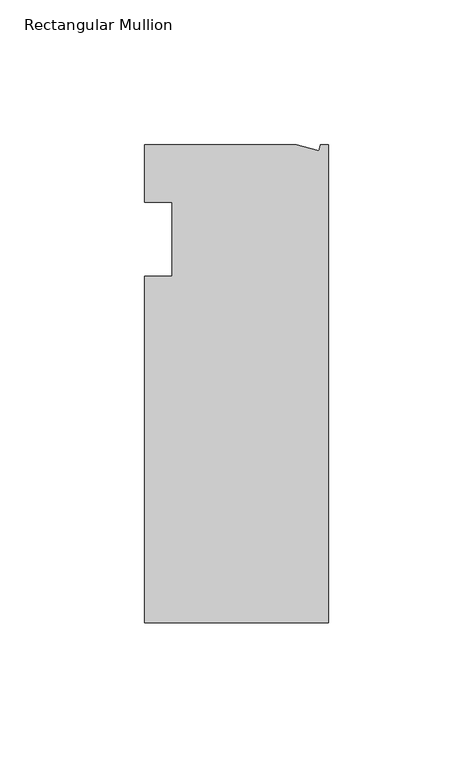
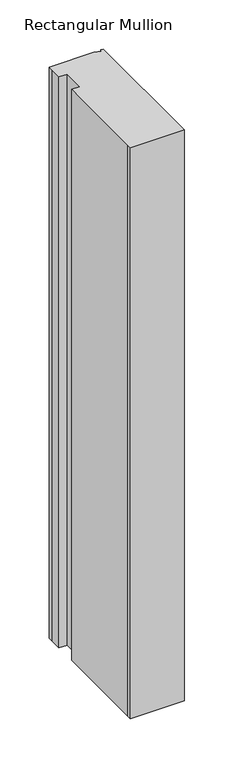
"""IFC4 building model written with IfcOpenShell, lengths in millimetres: member geometry, Rectangular Mullion."""

from ifc_helpers import new_model, si_unit, origin, place, context, project, spatial, faceted_brep, source, transform, mapped, element, save


def rectangular_mullion_dd988c1f(model_context):
    return source(origin(), model_context, "Body", "Brep", [
        faceted_brep([(0.0, -132.5561012, 0.0), (0.0, 32.5438988, 0.0), (-2.7630634, 32.5438988, 0.0), (-3.3223696, 30.4565397, 0.0), (-11.1125, 32.5438988, 0.0), (-63.5076469, 32.5438988, 0.0), (-63.5076469, 26.1938988, 0.0), (-63.5, 12.7, 0.0), (-53.975, 12.7, 0.0), (-53.975, -12.8488281, 0.0), (-63.5, -12.8488281, 0.0), (-63.5, -126.2061012, 0.0), (-63.5, -132.5561012, 0.0), (0.0, -132.5561012, -708.7886596), (-63.5, -132.5561012, -708.7886596), (-63.5, -126.2061012, -708.7886596), (-63.5, -12.8488281, -708.7886596), (-53.975, -12.8488281, -708.7886596), (-53.975, 12.7, -708.7886596), (-63.5, 12.7, -708.7886596), (-63.5, 26.1938988, -708.7886596), (-63.5076469, 32.5438988, -708.7886596), (-11.1125, 32.5438988, -708.7886596), (-3.3223696, 30.4565397, -708.7886596), (-2.7630634, 32.5438988, -708.7886596), (0.0, 32.5438988, -708.7886596)], [[[0, 1, 2, 3, 4, 5, 6, 7, 8, 9, 10, 11, 12]], [[13, 14, 15, 16, 17, 18, 19, 20, 21, 22, 23, 24, 25]], [[7, 6, 20, 19]], [[8, 7, 19, 18]], [[9, 8, 18, 17]], [[10, 9, 17, 16]], [[11, 10, 16, 15]], [[0, 12, 14, 13]], [[1, 0, 13, 25]], [[2, 1, 25, 24]], [[3, 2, 24, 23]], [[4, 3, 23, 22]], [[5, 4, 22, 21]], [[6, 5, 21, 20]], [[12, 11, 15, 14]]]),
    ])


if __name__ == "__main__":
    model = new_model("IFC4")
    model_context = context("Model", 3, world=origin())
    ifc_project = project(units=[si_unit("LENGTHUNIT", "METRE", prefix="MILLI")], contexts=[model_context])
    site = spatial("IfcSite", under=ifc_project)
    building = spatial("IfcBuilding", under=site)
    placement = place(None, origin())
    rectangular_mullion_shape = rectangular_mullion_dd988c1f(model_context)
    element("IfcMember", 1, ObjectType="Rectangular Mullion", at=placement, inside=building, context=model_context, shape_type="MappedRepresentation", body=[
        mapped(rectangular_mullion_shape, transform((0.0, 0.0, 0.0), x_axis=(1.0, 0.0, 0.0), y_axis=(0.0, 1.0, 0.0), z_axis=(0.0, 0.0, 1.0))),
    ])
    save(model, "model.ifc")
